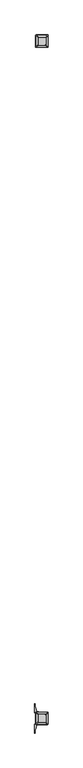
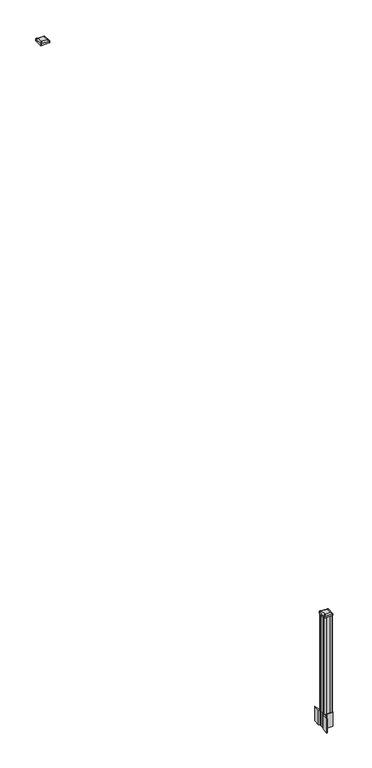
"""IFC4 building model written with IfcOpenShell, lengths in millimetres: railing geometry."""

from ifc_helpers import new_model, si_unit, point, frame, frame_2d, origin, place, context, project, spatial, polyline, circle_curve, trimmed, segment, composite_curve, outline, extrude, source, transform, mapped, element, save
from ifc_brep_helpers import plane_surface, extruded_surface, advanced_brep


def railing_f0babbd3(model_context):
    return source(origin(), model_context, "Body", "SolidModel", [
        advanced_brep(
        [(6934.2407728, -82569.2327203, 4324.315513), (6985.8345228, -82569.2327203, 4324.315513), (6989.0095228, -82566.0577203, 4324.315513), (6989.0095228, -82514.4639703, 4324.315513), (6985.8345228, -82511.2889703, 4324.315513), (6934.2407728, -82511.2889703, 4324.315513), (6931.0657728, -82514.4639703, 4324.315513), (6931.0657728, -82566.0577203, 4324.315513), (6917.9688978, -82585.5045953, 4313.012513), (6914.7938978, -82582.3295953, 4313.012513), (6914.7938978, -82498.1920953, 4313.012513), (6917.9688978, -82495.0170953, 4313.012513), (7002.1063978, -82495.0170953, 4313.012513), (7005.2813978, -82498.1920953, 4313.012513), (7005.2813978, -82582.3295953, 4313.012513), (7002.1063978, -82585.5045953, 4313.012513)],
        [
            (0, 1),
            (1, 2, circle_curve(frame((6985.8345228, -82566.0577203, 4324.315513), z_axis=(0.0, 0.0, 1.0), x_axis=(0.0, 1.0, 0.0)), 3.175)),
            (2, 3),
            (3, 4, circle_curve(frame((6985.8345228, -82514.4639703, 4324.315513), z_axis=(0.0, 0.0, 1.0), x_axis=(0.0, 1.0, 0.0)), 3.175)),
            (4, 5),
            (5, 6, circle_curve(frame((6934.2407728, -82514.4639703, 4324.315513), z_axis=(0.0, 0.0, 1.0), x_axis=(0.0, 1.0, 0.0)), 3.175)),
            (6, 7),
            (7, 0, circle_curve(frame((6934.2407728, -82566.0577203, 4324.315513), z_axis=(0.0, 0.0, 1.0), x_axis=(0.0, 1.0, 0.0)), 3.175)),
            (8, 9, circle_curve(frame((6917.9688978, -82582.3295953, 4313.012513), z_axis=(0.0, 0.0, -1.0), x_axis=(0.0, 1.0, 0.0)), 3.175)),
            (9, 10),
            (10, 11, circle_curve(frame((6917.9688978, -82498.1920953, 4313.012513), z_axis=(0.0, 0.0, -1.0), x_axis=(0.0, 1.0, 0.0)), 3.175)),
            (11, 12),
            (12, 13, circle_curve(frame((7002.1063978, -82498.1920953, 4313.012513), z_axis=(0.0, 0.0, -1.0), x_axis=(0.0, 1.0, 0.0)), 3.175)),
            (13, 14),
            (14, 15, circle_curve(frame((7002.1063978, -82582.3295953, 4313.012513), z_axis=(0.0, 0.0, -1.0), x_axis=(0.0, 1.0, 0.0)), 3.175)),
            (15, 8),
            (8, 0),
            (7, 9),
            (6, 10),
            (5, 11),
            (4, 12),
            (3, 13),
            (2, 14),
            (1, 15),
        ],
        [
            plane_surface(frame((6960.0376478, -82540.2608453, 4324.315513), z_axis=(0.0, 0.0, 1.0), x_axis=(-1.0, 0.0, 0.0))),
            plane_surface(frame((6960.0376478, -82540.2608453, 4313.012513), z_axis=(0.0, 0.0, -1.0), x_axis=(-1.0, 0.0, 0.0))),
            extruded_surface(trimmed(circle_curve(frame((6934.2407728, -82566.0577203, 4324.315513), z_axis=(0.0, 0.0, -1.0), x_axis=(0.0, 1.0, 0.0)), 3.175), [point((6934.2407728, -82569.2327203, 4324.315513))], [point((6931.0657728, -82566.0577203, 4324.315513))], True, "CARTESIAN"), (-16.271874999999454, -16.27187500000582, -11.302999999999884), 25.63797263886946),
            plane_surface(frame((6914.7938978, -82540.2608453, 4313.012513), z_axis=(-0.5705009161540687, 0.0, 0.8212969649690472), x_axis=(0.0, 1.0, 0.0))),
            extruded_surface(trimmed(circle_curve(frame((6934.2407728, -82514.4639703, 4324.315513), z_axis=(0.0, 0.0, -1.0), x_axis=(0.0, 1.0, 0.0)), 3.175), [point((6931.0657728, -82514.4639703, 4324.315513))], [point((6934.2407728, -82511.2889703, 4324.315513))], True, "CARTESIAN"), (-16.271874999999454, 16.27187500000582, -11.302999999999884), 25.63797263886946),
            plane_surface(frame((6960.0376478, -82495.0170953, 4313.012513), z_axis=(0.0, 0.5705009161540291, 0.8212969649690747), x_axis=(1.0, 0.0, 0.0))),
            extruded_surface(trimmed(circle_curve(frame((6985.8345228, -82514.4639703, 4324.315513), z_axis=(0.0, 0.0, -1.0), x_axis=(0.0, 1.0, 0.0)), 3.175), [point((6985.8345228, -82511.2889703, 4324.315513))], [point((6989.0095228, -82514.4639703, 4324.315513))], True, "CARTESIAN"), (16.271875000000364, 16.27187500000582, -11.302999999999884), 25.637972638870036),
            plane_surface(frame((7005.2813978, -82540.2608453, 4313.012513), z_axis=(0.5705009161540233, 0.0, 0.8212969649690787), x_axis=(0.0, -1.0, 0.0))),
            extruded_surface(trimmed(circle_curve(frame((6985.8345228, -82566.0577203, 4324.315513), z_axis=(0.0, 0.0, -1.0), x_axis=(0.0, 1.0, 0.0)), 3.175), [point((6989.0095228, -82566.0577203, 4324.315513))], [point((6985.8345228, -82569.2327203, 4324.315513))], True, "CARTESIAN"), (16.271875000000364, -16.27187500000582, -11.302999999999884), 25.637972638870036),
            plane_surface(frame((6960.0376478, -82585.5045953, 4313.012513), z_axis=(0.0, -0.570500916154034, 0.8212969649690713), x_axis=(-1.0, 0.0, 0.0))),
        ],
        [
            (0, [[1, 2, 3, 4, 5, 6, 7, 8]]),
            (1, [[9, 10, 11, 12, 13, 14, 15, 16]]),
            (2, [[17, -8, 18, -9]]),
            (3, [[-18, -7, 19, -10]]),
            (4, [[-19, -6, 20, -11]]),
            (5, [[-20, -5, 21, -12]]),
            (6, [[-21, -4, 22, -13]]),
            (7, [[-22, -3, 23, -14]]),
            (8, [[-23, -2, 24, -15]]),
            (9, [[-24, -1, -17, -16]]),
        ],
    ),
        extrude(outline(composite_curve([segment(trimmed(circle_curve(frame_2d((6917.9688978, -82582.3295953)), 3.175), [point((6917.9688978, -82585.5045953))], [point((6914.7938978, -82582.3295953))], False, "CARTESIAN"), True, "CONTINUOUS"), segment(polyline([(6914.7938978, -82582.3295953), (6914.7938978, -82498.1920953)]), True, "CONTINUOUS"), segment(trimmed(circle_curve(frame_2d((6917.9688978, -82498.1920953)), 3.175), [point((6914.7938978, -82498.1920953))], [point((6917.9688978, -82495.0170953))], False, "CARTESIAN"), True, "CONTINUOUS"), segment(polyline([(6917.9688978, -82495.0170953), (7002.1063978, -82495.0170953)]), True, "CONTINUOUS"), segment(trimmed(circle_curve(frame_2d((7002.1063978, -82498.1920953)), 3.175), [point((7002.1063978, -82495.0170953))], [point((7005.2813978, -82498.1920953))], False, "CARTESIAN"), True, "CONTINUOUS"), segment(polyline([(7005.2813978, -82498.1920953), (7005.2813978, -82582.3295953)]), True, "CONTINUOUS"), segment(trimmed(circle_curve(frame_2d((7002.1063978, -82582.3295953)), 3.175), [point((7005.2813978, -82582.3295953))], [point((7002.1063978, -82585.5045953))], False, "CARTESIAN"), True, "CONTINUOUS"), segment(polyline([(7002.1063978, -82585.5045953), (6917.9688978, -82585.5045953)]), True, "CONTINUOUS")], self_intersect=False)), frame((0.0, 0.0, 4295.740513), z_axis=(0.0, 0.0, 1.0), x_axis=(1.0, 0.0, 0.0)), (0.0, 0.0, 1.0), 17.272),
        extrude(outline(composite_curve([segment(polyline([(7002.7731478, -87517.2509401), (7004.3606478, -87518.0129401), (7004.3606478, -87540.8148682), (7000.9876707, -87544.1878453), (6939.5279999, -87544.1878453), (6939.5279999, -87545.1085953), (6934.2104561, -87545.1085953), (6934.2104561, -87546.56285), (6929.1259264, -87546.56285), (6929.1259264, -87547.8468738), (6927.4586541, -87547.8468738)]), True, "CONTINUOUS"), segment(trimmed(circle_curve(frame_2d((6927.4586541, -87554.9063337)), 7.0594599), [point((6927.4586541, -87547.8468738))], [point((6920.6913912, -87552.896327))], True, "CARTESIAN"), True, "CONTINUOUS"), segment(polyline([(6920.6913912, -87552.896327), (6912.8171969, -87579.4070561)]), True, "CONTINUOUS"), segment(trimmed(circle_curve(frame_2d((6967.6017103, -87595.6791057)), 57.15), [point((6912.8171969, -87579.4070561))], [point((6910.4517103, -87595.6791057))], True, "CARTESIAN"), True, "CONTINUOUS"), segment(polyline([(6910.4517103, -87595.6791057), (6910.4517103, -87607.6878453), (6907.4517103, -87607.6878453), (6907.4517103, -87542.6003453), (6915.7146478, -87531.262054), (6915.7146478, -87518.0129401), (6917.3021478, -87517.2509401), (6917.3021478, -87482.4787504), (6915.7146478, -87481.7167504), (6915.7146478, -87468.4676366), (6907.4517103, -87457.1293453), (6907.4517103, -87392.0418453), (6910.4517103, -87392.0418453), (6910.4517103, -87404.0505848)]), True, "CONTINUOUS"), segment(trimmed(circle_curve(frame_2d((6967.6017103, -87404.0505848)), 57.15), [point((6910.4517103, -87404.0505848))], [point((6912.8171969, -87420.3226345))], True, "CARTESIAN"), True, "CONTINUOUS"), segment(polyline([(6912.8171969, -87420.3226345), (6920.6913912, -87446.8333636)]), True, "CONTINUOUS"), segment(trimmed(circle_curve(frame_2d((6927.4586541, -87444.8233569)), 7.0594599), [point((6920.6913912, -87446.8333636))], [point((6927.4586541, -87451.8828168))], True, "CARTESIAN"), True, "CONTINUOUS"), segment(polyline([(6927.4586541, -87451.8828168), (6929.1259264, -87451.8828168), (6929.1259264, -87453.1668406), (6934.2104561, -87453.1668406), (6934.2104561, -87454.6210953), (6939.5279999, -87454.6210953), (6939.5279999, -87455.5418453), (7000.9876707, -87455.5418453), (7004.3606478, -87458.9148224), (7004.3606478, -87481.7167504), (7002.7731478, -87482.4787504), (7002.7731478, -87517.2509401)]), True, "CONTINUOUS")], self_intersect=False), holes=[polyline([(6918.7626478, -87460.1773453), (6918.7626478, -87539.5523453), (6920.3501478, -87541.1398453), (6957.2744304, -87541.1398453), (6999.7251478, -87541.1398453), (7001.3126478, -87539.5523453), (7001.3126478, -87460.1773453), (6999.7251478, -87458.5898453), (6957.2744304, -87458.5898453), (6920.3501478, -87458.5898453), (6918.7626478, -87460.1773453)])]), frame((0.0, 0.0, 12.22375), z_axis=(0.0, 0.0, 1.0), x_axis=(1.0, 0.0, 0.0)), (0.0, 0.0, 1.0), 152.4),
        advanced_brep(
        [(6934.2407728, -87528.8367203, 1224.563013), (6985.8345228, -87528.8367203, 1224.563013), (6989.0095228, -87525.6617203, 1224.563013), (6989.0095228, -87474.0679703, 1224.563013), (6985.8345228, -87470.8929703, 1224.563013), (6934.2407728, -87470.8929703, 1224.563013), (6931.0657728, -87474.0679703, 1224.563013), (6931.0657728, -87525.6617203, 1224.563013), (6917.9688978, -87545.1085953, 1213.260013), (6914.7938978, -87541.9335953, 1213.260013), (6914.7938978, -87457.7960953, 1213.260013), (6917.9688978, -87454.6210953, 1213.260013), (7002.1063978, -87454.6210953, 1213.260013), (7005.2813978, -87457.7960953, 1213.260013), (7005.2813978, -87541.9335953, 1213.260013), (7002.1063978, -87545.1085953, 1213.260013)],
        [
            (0, 1),
            (1, 2, circle_curve(frame((6985.8345228, -87525.6617203, 1224.563013), z_axis=(0.0, 0.0, 1.0), x_axis=(0.0, 1.0, 0.0)), 3.175)),
            (2, 3),
            (3, 4, circle_curve(frame((6985.8345228, -87474.0679703, 1224.563013), z_axis=(0.0, 0.0, 1.0), x_axis=(0.0, 1.0, 0.0)), 3.175)),
            (4, 5),
            (5, 6, circle_curve(frame((6934.2407728, -87474.0679703, 1224.563013), z_axis=(0.0, 0.0, 1.0), x_axis=(0.0, 1.0, 0.0)), 3.175)),
            (6, 7),
            (7, 0, circle_curve(frame((6934.2407728, -87525.6617203, 1224.563013), z_axis=(0.0, 0.0, 1.0), x_axis=(0.0, 1.0, 0.0)), 3.175)),
            (8, 9, circle_curve(frame((6917.9688978, -87541.9335953, 1213.260013), z_axis=(0.0, 0.0, -1.0), x_axis=(0.0, 1.0, 0.0)), 3.175)),
            (9, 10),
            (10, 11, circle_curve(frame((6917.9688978, -87457.7960953, 1213.260013), z_axis=(0.0, 0.0, -1.0), x_axis=(0.0, 1.0, 0.0)), 3.175)),
            (11, 12),
            (12, 13, circle_curve(frame((7002.1063978, -87457.7960953, 1213.260013), z_axis=(0.0, 0.0, -1.0), x_axis=(0.0, 1.0, 0.0)), 3.175)),
            (13, 14),
            (14, 15, circle_curve(frame((7002.1063978, -87541.9335953, 1213.260013), z_axis=(0.0, 0.0, -1.0), x_axis=(0.0, 1.0, 0.0)), 3.175)),
            (15, 8),
            (8, 0),
            (7, 9),
            (6, 10),
            (5, 11),
            (4, 12),
            (3, 13),
            (2, 14),
            (1, 15),
        ],
        [
            plane_surface(frame((6960.0376478, -87499.8648453, 1224.563013), z_axis=(0.0, 0.0, 1.0), x_axis=(-1.0, 0.0, 0.0))),
            plane_surface(frame((6960.0376478, -87499.8648453, 1213.260013), z_axis=(0.0, 0.0, -1.0), x_axis=(-1.0, 0.0, 0.0))),
            extruded_surface(trimmed(circle_curve(frame((6934.2407728, -87525.6617203, 1224.563013), z_axis=(0.0, 0.0, -1.0), x_axis=(0.0, 1.0, 0.0)), 3.175), [point((6934.2407728, -87528.8367203, 1224.563013))], [point((6931.0657728, -87525.6617203, 1224.563013))], True, "CARTESIAN"), (-16.271874999999454, -16.27187499999127, -11.302999999999884), 25.637972638860223),
            plane_surface(frame((6914.7938978, -87499.8648453, 1213.260013), z_axis=(-0.5705009161540778, 0.0, 0.8212969649690408), x_axis=(0.0, 1.0, 0.0))),
            extruded_surface(trimmed(circle_curve(frame((6934.2407728, -87474.0679703, 1224.563013), z_axis=(0.0, 0.0, -1.0), x_axis=(0.0, 1.0, 0.0)), 3.175), [point((6931.0657728, -87474.0679703, 1224.563013))], [point((6934.2407728, -87470.8929703, 1224.563013))], True, "CARTESIAN"), (-16.271874999999454, 16.27187500000582, -11.302999999999884), 25.63797263886946),
            plane_surface(frame((6960.0376478, -87454.6210953, 1213.260013), z_axis=(0.0, 0.5705009161540291, 0.8212969649690747), x_axis=(1.0, 0.0, 0.0))),
            extruded_surface(trimmed(circle_curve(frame((6985.8345228, -87474.0679703, 1224.563013), z_axis=(0.0, 0.0, -1.0), x_axis=(0.0, 1.0, 0.0)), 3.175), [point((6985.8345228, -87470.8929703, 1224.563013))], [point((6989.0095228, -87474.0679703, 1224.563013))], True, "CARTESIAN"), (16.271875000000364, 16.27187500000582, -11.302999999999884), 25.637972638870036),
            plane_surface(frame((7005.2813978, -87499.8648453, 1213.260013), z_axis=(0.5705009161540142, 0.0, 0.8212969649690851), x_axis=(0.0, -1.0, 0.0))),
            extruded_surface(trimmed(circle_curve(frame((6985.8345228, -87525.6617203, 1224.563013), z_axis=(0.0, 0.0, -1.0), x_axis=(0.0, 1.0, 0.0)), 3.175), [point((6989.0095228, -87525.6617203, 1224.563013))], [point((6985.8345228, -87528.8367203, 1224.563013))], True, "CARTESIAN"), (16.271875000000364, -16.27187499999127, -11.302999999999884), 25.637972638860802),
            plane_surface(frame((6960.0376478, -87545.1085953, 1213.260013), z_axis=(0.0, -0.570500916154034, 0.8212969649690713), x_axis=(-1.0, 0.0, 0.0))),
        ],
        [
            (0, [[1, 2, 3, 4, 5, 6, 7, 8]]),
            (1, [[9, 10, 11, 12, 13, 14, 15, 16]]),
            (2, [[17, -8, 18, -9]]),
            (3, [[-18, -7, 19, -10]]),
            (4, [[-19, -6, 20, -11]]),
            (5, [[-20, -5, 21, -12]]),
            (6, [[-21, -4, 22, -13]]),
            (7, [[-22, -3, 23, -14]]),
            (8, [[-23, -2, 24, -15]]),
            (9, [[-24, -1, -17, -16]]),
        ],
    ),
        extrude(outline(composite_curve([segment(trimmed(circle_curve(frame_2d((6917.9688978, -87541.9335953)), 3.175), [point((6917.9688978, -87545.1085953))], [point((6914.7938978, -87541.9335953))], False, "CARTESIAN"), True, "CONTINUOUS"), segment(polyline([(6914.7938978, -87541.9335953), (6914.7938978, -87457.7960953)]), True, "CONTINUOUS"), segment(trimmed(circle_curve(frame_2d((6917.9688978, -87457.7960953)), 3.175), [point((6914.7938978, -87457.7960953))], [point((6917.9688978, -87454.6210953))], False, "CARTESIAN"), True, "CONTINUOUS"), segment(polyline([(6917.9688978, -87454.6210953), (7002.1063978, -87454.6210953)]), True, "CONTINUOUS"), segment(trimmed(circle_curve(frame_2d((7002.1063978, -87457.7960953)), 3.175), [point((7002.1063978, -87454.6210953))], [point((7005.2813978, -87457.7960953))], False, "CARTESIAN"), True, "CONTINUOUS"), segment(polyline([(7005.2813978, -87457.7960953), (7005.2813978, -87541.9335953)]), True, "CONTINUOUS"), segment(trimmed(circle_curve(frame_2d((7002.1063978, -87541.9335953)), 3.175), [point((7005.2813978, -87541.9335953))], [point((7002.1063978, -87545.1085953))], False, "CARTESIAN"), True, "CONTINUOUS"), segment(polyline([(7002.1063978, -87545.1085953), (6917.9688978, -87545.1085953)]), True, "CONTINUOUS")], self_intersect=False)), frame((0.0, 0.0, 1195.988013), z_axis=(0.0, 0.0, 1.0), x_axis=(1.0, 0.0, 0.0)), (0.0, 0.0, 1.0), 17.272),
        extrude(outline(polyline([(6920.3501478, -87541.1398453), (6918.7626478, -87539.5523453), (6918.7626478, -87519.9308453), (6920.3501478, -87519.1688453), (6920.3501478, -87480.5608453), (6918.7626478, -87479.7988453), (6918.7626478, -87460.1773453), (6920.3501478, -87458.5898453), (6939.9716478, -87458.5898453), (6940.7336478, -87460.1773453), (6979.3416478, -87460.1773453), (6980.1036478, -87458.5898453), (6999.7251478, -87458.5898453), (7001.3126478, -87460.1773453), (7001.3126478, -87479.7988453), (6999.7251478, -87480.5608453), (6999.7251478, -87519.1688453), (7001.3126478, -87519.9308453), (7001.3126478, -87539.5523453), (6999.7251478, -87541.1398453), (6980.1036478, -87541.1398453), (6979.3416478, -87539.5523453), (6940.7336478, -87539.5523453), (6939.9716478, -87541.1398453), (6920.3501478, -87541.1398453)])), frame((0.0, 0.0, 164.62375), z_axis=(0.0, 0.0, 1.0), x_axis=(1.0, 0.0, 0.0)), (0.0, 0.0, 1.0), 1031.364263),
    ])


if __name__ == "__main__":
    model = new_model("IFC4")
    model_context = context("Model", 3, world=origin())
    ifc_project = project(units=[si_unit("LENGTHUNIT", "METRE", prefix="MILLI")], contexts=[model_context])
    site = spatial("IfcSite", under=ifc_project)
    building = spatial("IfcBuilding", under=site)
    placement = place(None, origin())
    railing_shape = railing_f0babbd3(model_context)
    element("IfcRailing", 1, at=placement, inside=building, context=model_context, shape_type="MappedRepresentation", body=[
        mapped(railing_shape, transform((0.0, 0.0, 0.0), x_axis=(1.0, 0.0, 0.0), y_axis=(0.0, 1.0, 0.0), z_axis=(0.0, 0.0, 1.0))),
    ])
    save(model, "model.ifc")
